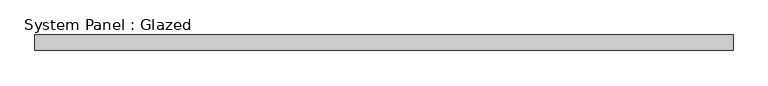
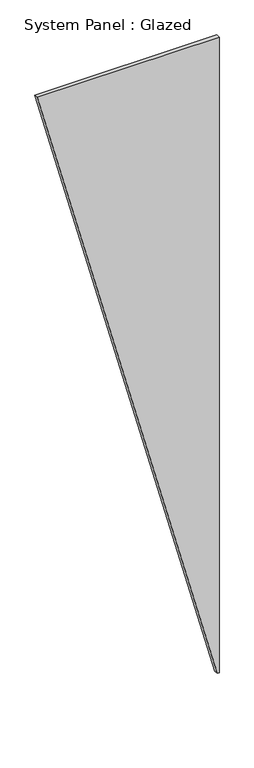
"""IFC4 building model written with IfcOpenShell, lengths in millimetres: plate geometry, System Panel : Glazed."""

from ifc_helpers import new_model, si_unit, frame, origin, place, context, project, spatial, polyline, outline, extrude, source, transform, mapped, element, save


def system_panel_glazed_28c7b4c0(model_context):
    return source(origin(), model_context, "Body", "SweptSolid", [
        extrude(outline(polyline([(0.0, 553.9454005), (0.0, 564.990312), (4175.9249296, 564.990312), (4175.9249296, -564.990312), (0.0, 553.9454005)])), frame((0.0, -2.5, 0.0), z_axis=(0.0, 1.0, 0.0), x_axis=(0.0, 0.0, 1.0)), (0.0, 0.0, 1.0), 25.0),
    ])


if __name__ == "__main__":
    model = new_model("IFC4")
    model_context = context("Model", 3, world=origin())
    ifc_project = project(units=[si_unit("LENGTHUNIT", "METRE", prefix="MILLI")], contexts=[model_context])
    site = spatial("IfcSite", under=ifc_project)
    building = spatial("IfcBuilding", under=site)
    placement = place(None, origin())
    system_panel_glazed_shape = system_panel_glazed_28c7b4c0(model_context)
    element("IfcPlate", 1, ObjectType="System Panel : Glazed", at=placement, inside=building, context=model_context, shape_type="MappedRepresentation", body=[
        mapped(system_panel_glazed_shape, transform((0.0, 0.0, 0.0), x_axis=(1.0, 0.0, 0.0), y_axis=(0.0, 1.0, 0.0), z_axis=(0.0, 0.0, 1.0))),
    ])
    save(model, "model.ifc")
